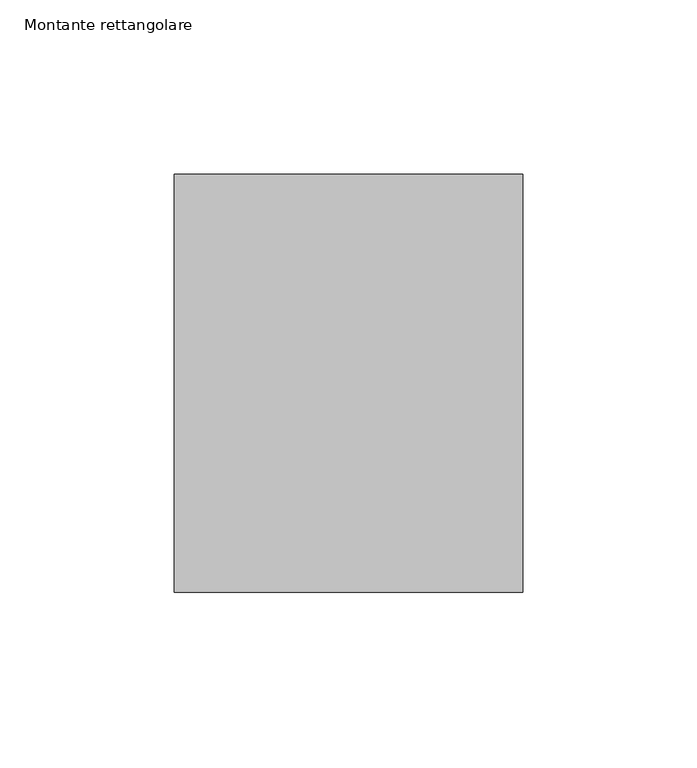
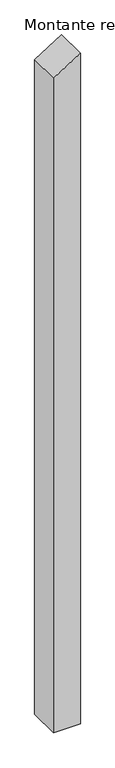
"""IFC4 building model written with IfcOpenShell, lengths in millimetres: member geometry, Montante rettangolare."""

from ifc_helpers import new_model, si_unit, frame, origin, place, context, project, spatial, polyline, outline, extrude, source, transform, mapped, element, save


def montante_rettangolare_8047edc8(model_context):
    return source(origin(), model_context, "Body", "SweptSolid", [
        extrude(outline(polyline([(0.0, 0.0), (-62.30149, -100.0), (-2628.5572414, -100.0), (-2628.5572414, 0.0), (0.0, 0.0)])), frame((0.0, -60.0, 0.0), z_axis=(0.0, 1.0, 0.0), x_axis=(0.0, 0.0, 1.0)), (0.0, 0.0, 1.0), 120.0),
    ])


if __name__ == "__main__":
    model = new_model("IFC4")
    model_context = context("Model", 3, world=origin())
    ifc_project = project(units=[si_unit("LENGTHUNIT", "METRE", prefix="MILLI")], contexts=[model_context])
    site = spatial("IfcSite", under=ifc_project)
    building = spatial("IfcBuilding", under=site)
    placement = place(None, origin())
    montante_rettangolare_shape = montante_rettangolare_8047edc8(model_context)
    element("IfcMember", 1, ObjectType="Montante rettangolare", at=placement, inside=building, context=model_context, shape_type="MappedRepresentation", body=[
        mapped(montante_rettangolare_shape, transform((0.0, 0.0, 0.0), x_axis=(1.0, 0.0, 0.0), y_axis=(0.0, 1.0, 0.0), z_axis=(0.0, 0.0, 1.0))),
    ])
    save(model, "model.ifc")
